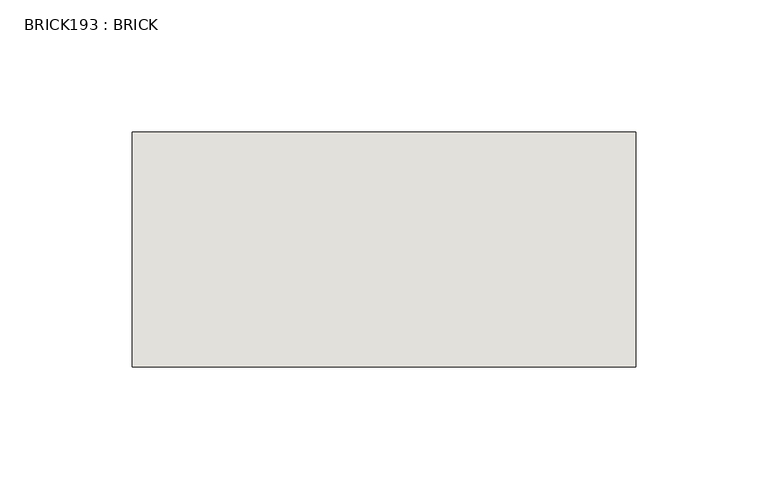
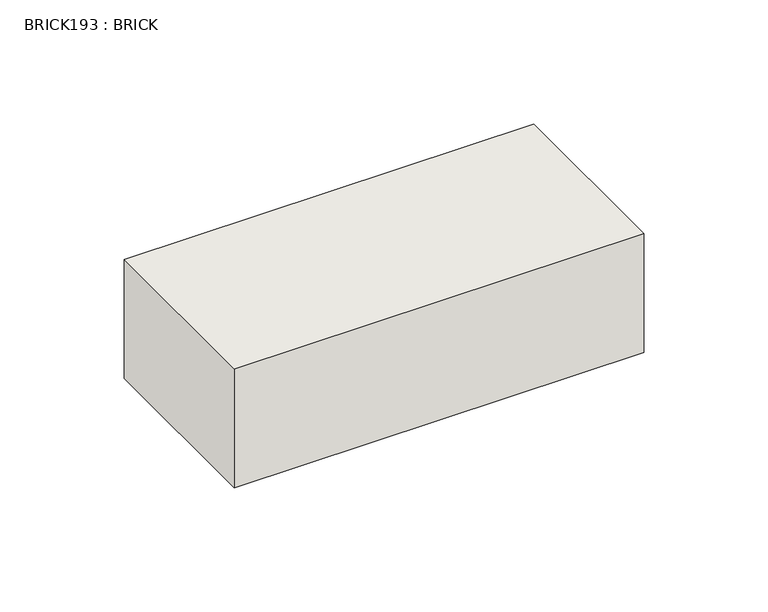
"""IFC4 building model written with IfcOpenShell, lengths in millimetres: wall geometry, BRICK193 : BRICK."""

from ifc_helpers import new_model, si_unit, frame, origin, place, context, project, spatial, polyline, outline, extrude, source, transform, mapped, element, save


def brick193_brick_904efe75(model_context):
    return source(origin(), model_context, "Body", "SweptSolid", [
        extrude(outline(polyline([(-565.5316239, 3062.3923312), (-375.0316239, 3062.3923312), (-375.0316239, 2973.4923312), (-565.5316239, 2973.4923312), (-565.5316239, 3062.3923312)])), frame((0.0, 0.0, 493.4148438), z_axis=(0.0, 0.0, 1.0), x_axis=(1.0, 0.0, 0.0)), (0.0, 0.0, 1.0), 58.4398438),
    ])


if __name__ == "__main__":
    model = new_model("IFC4")
    model_context = context("Model", 3, world=origin())
    ifc_project = project(units=[si_unit("LENGTHUNIT", "METRE", prefix="MILLI")], contexts=[model_context])
    site = spatial("IfcSite", under=ifc_project)
    building = spatial("IfcBuilding", under=site)
    placement = place(None, origin())
    brick193_brick_shape = brick193_brick_904efe75(model_context)
    element("IfcWall", 1, ObjectType="BRICK193 : BRICK", at=placement, inside=building, context=model_context, shape_type="MappedRepresentation", body=[
        mapped(brick193_brick_shape, transform((0.0, 0.0, 0.0), x_axis=(1.0, 0.0, 0.0), y_axis=(0.0, 1.0, 0.0), z_axis=(0.0, 0.0, 1.0))),
    ])
    save(model, "model.ifc")
